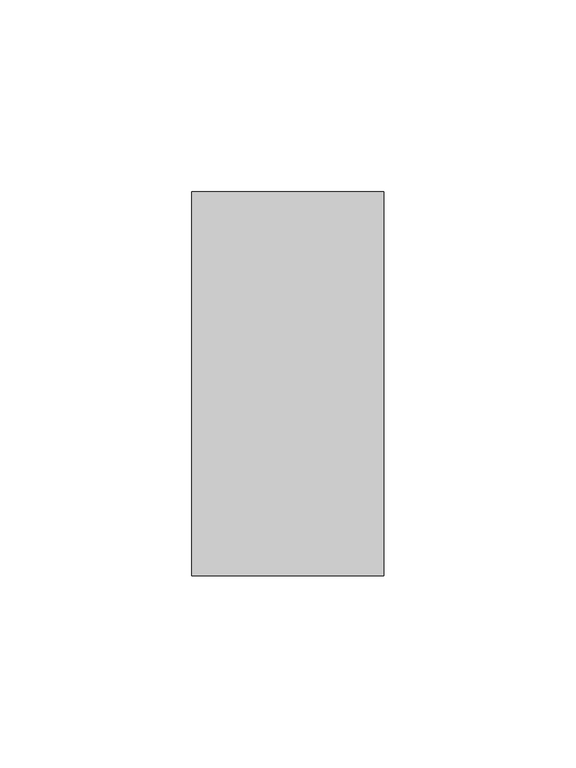
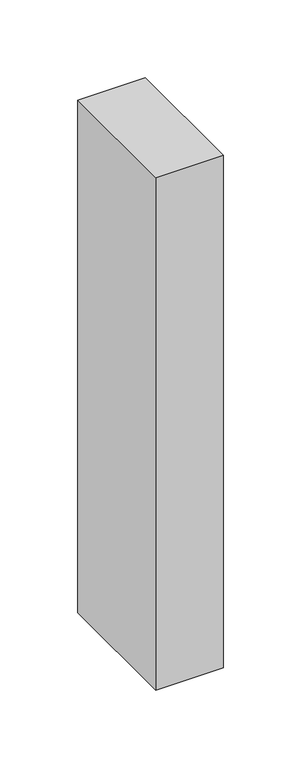
"""IFC4 building model written with IfcOpenShell, lengths in millimetres: member geometry."""

from ifc_helpers import new_model, si_unit, frame, origin, place, context, project, spatial, polyline, outline, extrude, source, transform, mapped, element, save


def member_de75996f(model_context):
    return source(origin(), model_context, "Body", "SweptSolid", [
        extrude(outline(polyline([(0.0, 50.0), (0.0, -50.0), (-50.0, -50.0), (-50.0, 50.0), (0.0, 50.0)])), frame((0.0, 0.0, -401.9310345), z_axis=(0.0, 0.0, 1.0), x_axis=(1.0, 0.0, 0.0)), (0.0, 0.0, 1.0), 401.9310345),
    ])


if __name__ == "__main__":
    model = new_model("IFC4")
    model_context = context("Model", 3, world=origin())
    ifc_project = project(units=[si_unit("LENGTHUNIT", "METRE", prefix="MILLI")], contexts=[model_context])
    site = spatial("IfcSite", under=ifc_project)
    building = spatial("IfcBuilding", under=site)
    placement = place(None, origin())
    member_shape = member_de75996f(model_context)
    element("IfcMember", 1, at=placement, inside=building, context=model_context, shape_type="MappedRepresentation", body=[
        mapped(member_shape, transform((0.0, 0.0, 0.0), x_axis=(1.0, 0.0, 0.0), y_axis=(0.0, 1.0, 0.0), z_axis=(0.0, 0.0, 1.0))),
    ])
    save(model, "model.ifc")
